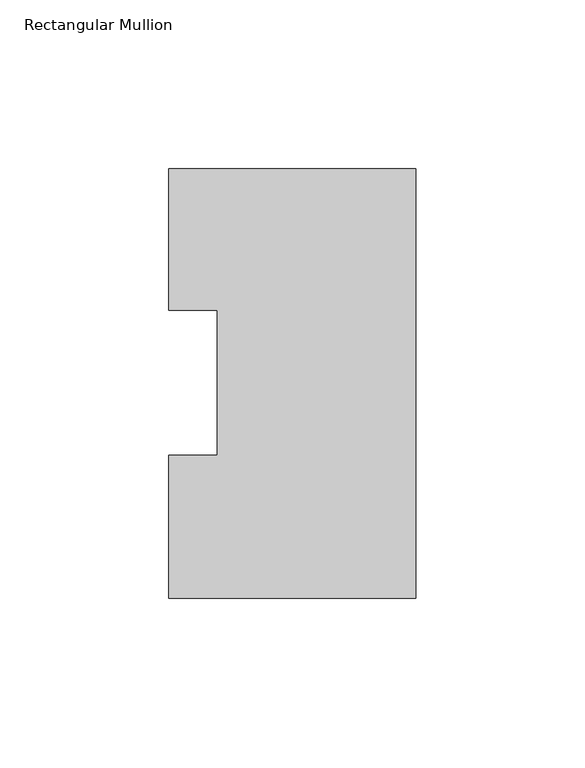
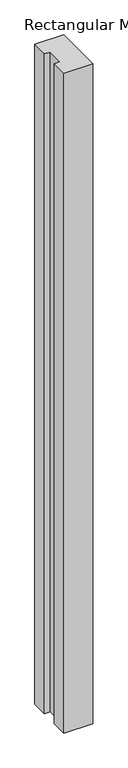
"""IFC4 building model written with IfcOpenShell, lengths in millimetres: member geometry, Rectangular Mullion."""

from ifc_helpers import new_model, si_unit, frame, origin, place, context, project, spatial, polyline, outline, extrude, source, transform, mapped, element, save


def rectangular_mullion_3e16244c(model_context):
    return source(origin(), model_context, "Body", "SweptSolid", [
        extrude(outline(polyline([(0.0, 126.9888875), (0.0, -0.0111125), (-73.025, -0.0111125), (-73.025, 42.2798875), (-58.7375, 42.2798875), (-58.7375, 85.1296875), (-73.025, 85.1296875), (-73.025, 126.9888875), (0.0, 126.9888875)])), frame((0.0, 0.0, -1765.3), z_axis=(0.0, 0.0, 1.0), x_axis=(1.0, 0.0, 0.0)), (0.0, 0.0, 1.0), 1765.3),
    ])


if __name__ == "__main__":
    model = new_model("IFC4")
    model_context = context("Model", 3, world=origin())
    ifc_project = project(units=[si_unit("LENGTHUNIT", "METRE", prefix="MILLI")], contexts=[model_context])
    site = spatial("IfcSite", under=ifc_project)
    building = spatial("IfcBuilding", under=site)
    placement = place(None, origin())
    rectangular_mullion_shape = rectangular_mullion_3e16244c(model_context)
    element("IfcMember", 1, ObjectType="Rectangular Mullion", at=placement, inside=building, context=model_context, shape_type="MappedRepresentation", body=[
        mapped(rectangular_mullion_shape, transform((0.0, 0.0, 0.0), x_axis=(1.0, 0.0, 0.0), y_axis=(0.0, 1.0, 0.0), z_axis=(0.0, 0.0, 1.0))),
    ])
    save(model, "model.ifc")
